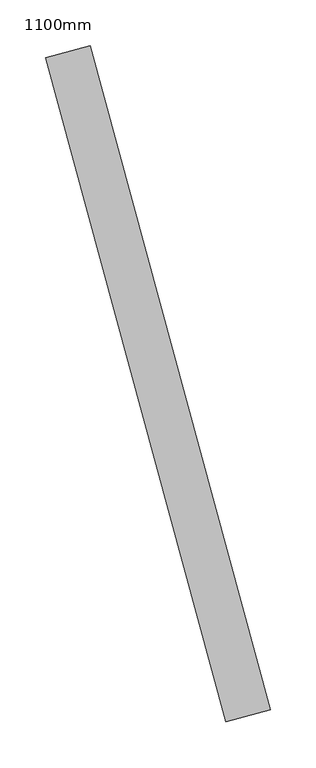
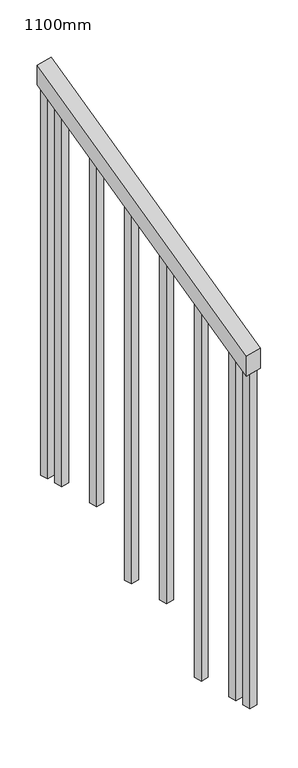
"""IFC4 building model written with IfcOpenShell, lengths in millimetres: railing geometry, 1100mm."""

from ifc_helpers import new_model, si_unit, frame, origin, place, context, project, spatial, polyline, outline, extrude, source, transform, mapped, element, save


def railing_1100mm_0f758963(model_context):
    return source(origin(), model_context, "Body", "SweptSolid", [
        extrude(outline(polyline([(-35.5555555, -50.0), (0.0, 0.0), (920.2958461, 0.0), (884.7402905, -50.0), (-35.5555555, -50.0)])), frame((291137.2731668, -50735.2395629, 1277.7777778), z_axis=(0.9649894123601837, 0.26228883703418915, 0.0), x_axis=(-0.2137536843159557, 0.7864232597553938, 0.5795237863600209)), (0.0, 0.0, 1.0), 50.0),
        extrude(outline(polyline([(1271.980277, -25.0), (108.8888889, -25.0), (91.1111112, 0.0), (1271.980277, 0.0), (1271.980277, -25.0)])), frame((290965.7333486, -50056.4683638, 1805.3136103), z_axis=(0.9649894123601837, 0.26228883703418915, 0.0), x_axis=(0.0, 0.0, -1.0)), (0.0, 0.0, 1.0), 25.0),
        extrude(outline(polyline([(1183.0913881, -25.0), (108.8888889, -25.0), (91.1111111, 0.0), (1183.0913881, 0.0), (1183.0913881, -25.0)])), frame((290998.5194532, -50177.0920404, 1716.4247214), z_axis=(0.9649894123601837, 0.26228883703418915, 0.0), x_axis=(0.0, 0.0, -1.0)), (0.0, 0.0, 1.0), 25.0),
        extrude(outline(polyline([(1271.9802769, -25.0), (108.8888889, -25.0), (91.1111111, 0.0), (1271.9802769, 0.0), (1271.9802769, -25.0)])), frame((291031.3055578, -50297.7157169, 1627.5358325), z_axis=(0.9649894123601837, 0.26228883703418915, 0.0), x_axis=(0.0, 0.0, -1.0)), (0.0, 0.0, 1.0), 25.0),
        extrude(outline(polyline([(1183.091388, -25.0), (108.8888889, -25.0), (91.1111111, 0.0), (1183.091388, 0.0), (1183.091388, -25.0)])), frame((291064.0916625, -50418.3393935, 1538.6469436), z_axis=(0.9649894123601837, 0.26228883703418915, 0.0), x_axis=(0.0, 0.0, -1.0)), (0.0, 0.0, 1.0), 25.0),
        extrude(outline(polyline([(1271.9802769, -25.0), (108.8888889, -25.0), (91.1111111, 0.0), (1271.9802769, 0.0), (1271.9802769, -25.0)])), frame((291096.8777671, -50538.96307, 1449.7580547), z_axis=(0.9649894123601837, 0.26228883703418915, 0.0), x_axis=(0.0, 0.0, -1.0)), (0.0, 0.0, 1.0), 25.0),
        extrude(outline(polyline([(1183.091388, -25.0), (108.8888889, -25.0), (91.1111111, 0.0), (1183.091388, 0.0), (1183.091388, -25.0)])), frame((291129.6638717, -50659.5867465, 1360.8691658), z_axis=(0.9649894123601837, 0.26228883703418915, 0.0), x_axis=(0.0, 0.0, -1.0)), (0.0, 0.0, 1.0), 25.0),
        extrude(outline(polyline([(1307.5358325, -25.0), (108.8888889, -25.0), (91.1111111, 0.0), (1307.5358325, 0.0), (1307.5358325, -25.0)])), frame((290952.6189067, -50008.2188932, 1840.8691658), z_axis=(0.9649894123601837, 0.26228883703418915, 0.0), x_axis=(0.0, 0.0, -1.0)), (0.0, 0.0, 1.0), 25.0),
        extrude(outline(polyline([(1147.5358325, -25.0), (108.8888889, -25.0), (91.1111112, 0.0), (1147.5358325, 0.0), (1147.5358325, -25.0)])), frame((291142.7783136, -50707.8362172, 1325.3136103), z_axis=(0.9649894123601837, 0.26228883703418915, 0.0), x_axis=(0.0, 0.0, -1.0)), (0.0, 0.0, 1.0), 25.0),
    ])


if __name__ == "__main__":
    model = new_model("IFC4")
    model_context = context("Model", 3, world=origin())
    ifc_project = project(units=[si_unit("LENGTHUNIT", "METRE", prefix="MILLI")], contexts=[model_context])
    site = spatial("IfcSite", under=ifc_project)
    building = spatial("IfcBuilding", under=site)
    placement = place(None, origin())
    railing_1100mm_shape = railing_1100mm_0f758963(model_context)
    element("IfcRailing", 1, ObjectType="1100mm", at=placement, inside=building, context=model_context, shape_type="MappedRepresentation", body=[
        mapped(railing_1100mm_shape, transform((0.0, 0.0, 0.0), x_axis=(1.0, 0.0, 0.0), y_axis=(0.0, 1.0, 0.0), z_axis=(0.0, 0.0, 1.0))),
    ])
    save(model, "model.ifc")
